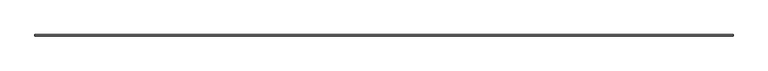
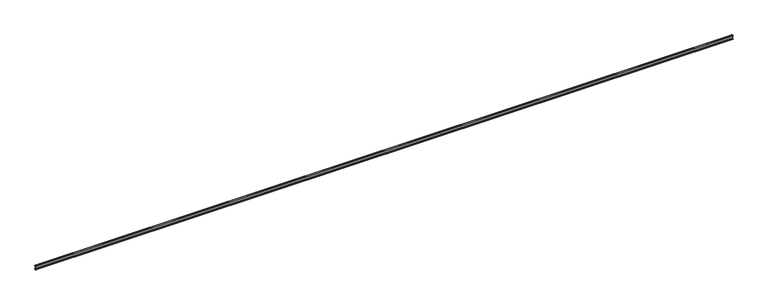
"""IFC4 building model written with IfcOpenShell, lengths in millimetres: beam geometry."""

from ifc_helpers import new_model, si_unit, point, frame, frame_2d, origin, place, context, project, spatial, polyline, circle_curve, trimmed, segment, composite_curve, outline, extrude, source, transform, mapped, element, save


def beam_62b1d8e4(model_context):
    return source(origin(), model_context, "Body", "SweptSolid", [
        extrude(outline(composite_curve([segment(polyline([(-53.0, 88.5), (-61.0, 88.5)]), True, "CONTINUOUS"), segment(trimmed(circle_curve(frame_2d((-61.0, 92.5)), 4.0), [point((-61.0, 88.5))], [point((-65.0, 92.5))], False, "CARTESIAN"), True, "CONTINUOUS"), segment(polyline([(-65.0, 92.5), (-65.0, 98.5)]), True, "CONTINUOUS"), segment(trimmed(circle_curve(frame_2d((-61.0, 98.5)), 4.0), [point((-65.0, 98.5))], [point((-61.0, 102.5))], False, "CARTESIAN"), True, "CONTINUOUS"), segment(polyline([(-61.0, 102.5), (-4.0, 102.5)]), True, "CONTINUOUS"), segment(trimmed(circle_curve(frame_2d((-4.0, 98.5)), 4.0), [point((-4.0, 102.5))], [point((0.0, 98.5))], False, "CARTESIAN"), True, "CONTINUOUS"), segment(polyline([(0.0, 98.5), (0.0, 70.5), (-20.0, 32.5), (-20.0, -32.5), (0.0, -70.5), (0.0, -98.5)]), True, "CONTINUOUS"), segment(trimmed(circle_curve(frame_2d((-4.0, -98.5)), 4.0), [point((0.0, -98.5))], [point((-4.0, -102.5))], False, "CARTESIAN"), True, "CONTINUOUS"), segment(polyline([(-4.0, -102.5), (-61.0, -102.5)]), True, "CONTINUOUS"), segment(trimmed(circle_curve(frame_2d((-61.0, -98.5)), 4.0), [point((-61.0, -102.5))], [point((-65.0, -98.5))], False, "CARTESIAN"), True, "CONTINUOUS"), segment(polyline([(-65.0, -98.5), (-65.0, -92.5)]), True, "CONTINUOUS"), segment(trimmed(circle_curve(frame_2d((-61.0, -92.5)), 4.0), [point((-65.0, -92.5))], [point((-61.0, -88.5))], False, "CARTESIAN"), True, "CONTINUOUS"), segment(polyline([(-61.0, -88.5), (-53.0, -88.5), (-53.0, -90.5), (-61.0, -90.5)]), True, "CONTINUOUS"), segment(trimmed(circle_curve(frame_2d((-61.0, -92.5)), 2.0), [point((-61.0, -90.5))], [point((-63.0, -92.5))], True, "CARTESIAN"), True, "CONTINUOUS"), segment(polyline([(-63.0, -92.5), (-63.0, -98.5)]), True, "CONTINUOUS"), segment(trimmed(circle_curve(frame_2d((-61.0, -98.5)), 2.0), [point((-63.0, -98.5))], [point((-61.0, -100.5))], True, "CARTESIAN"), True, "CONTINUOUS"), segment(polyline([(-61.0, -100.5), (-4.0, -100.5)]), True, "CONTINUOUS"), segment(trimmed(circle_curve(frame_2d((-4.0, -98.5)), 2.0), [point((-4.0, -100.5))], [point((-2.0, -98.5))], True, "CARTESIAN"), True, "CONTINUOUS"), segment(polyline([(-2.0, -98.5), (-2.0, -70.9941821), (-22.0, -32.9941821), (-22.0, 32.9941821), (-2.0, 70.9941821), (-2.0, 98.5)]), True, "CONTINUOUS"), segment(trimmed(circle_curve(frame_2d((-4.0, 98.5)), 2.0), [point((-2.0, 98.5))], [point((-4.0, 100.5))], True, "CARTESIAN"), True, "CONTINUOUS"), segment(polyline([(-4.0, 100.5), (-61.0, 100.5)]), True, "CONTINUOUS"), segment(trimmed(circle_curve(frame_2d((-61.0, 98.5)), 2.0), [point((-61.0, 100.5))], [point((-63.0, 98.5))], True, "CARTESIAN"), True, "CONTINUOUS"), segment(polyline([(-63.0, 98.5), (-63.0, 92.5)]), True, "CONTINUOUS"), segment(trimmed(circle_curve(frame_2d((-61.0, 92.5)), 2.0), [point((-63.0, 92.5))], [point((-61.0, 90.5))], True, "CARTESIAN"), True, "CONTINUOUS"), segment(polyline([(-61.0, 90.5), (-53.0, 90.5), (-53.0, 88.5)]), True, "CONTINUOUS")], self_intersect=False)), frame((-18000.0, 0.0, 0.0), z_axis=(1.0, 0.0, 0.0), x_axis=(0.0, 1.0, 0.0)), (0.0, 0.0, 1.0), 36000.0),
    ])


if __name__ == "__main__":
    model = new_model("IFC4")
    model_context = context("Model", 3, world=origin())
    ifc_project = project(units=[si_unit("LENGTHUNIT", "METRE", prefix="MILLI")], contexts=[model_context])
    site = spatial("IfcSite", under=ifc_project)
    building = spatial("IfcBuilding", under=site)
    placement = place(None, origin())
    beam_shape = beam_62b1d8e4(model_context)
    element("IfcBeam", 1, at=placement, inside=building, context=model_context, shape_type="MappedRepresentation", body=[
        mapped(beam_shape, transform((0.0, 0.0, 0.0), x_axis=(1.0, 0.0, 0.0), y_axis=(0.0, 1.0, 0.0), z_axis=(0.0, 0.0, 1.0))),
    ])
    save(model, "model.ifc")
